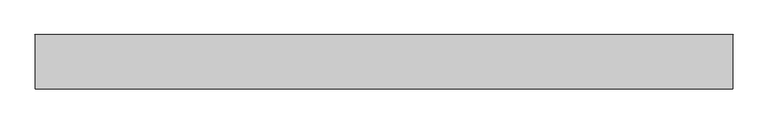
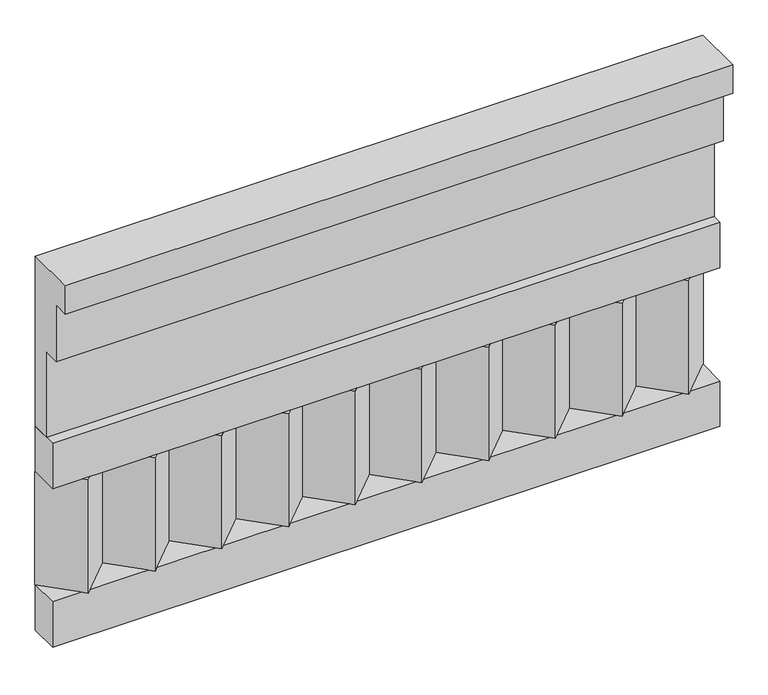
"""IFC4 building model written with IfcOpenShell, lengths in millimetres: railing geometry."""

from ifc_helpers import new_model, si_unit, frame, origin, place, context, project, spatial, polyline, outline, extrude, source, transform, mapped, element, save


def railing_dde9e87f(model_context):
    return source(origin(), model_context, "Body", "SweptSolid", [
        extrude(outline(polyline([(-16816.8920513, 25100.0), (-16816.8920513, 24650.0), (-16866.8920513, 24650.0), (-16866.8920513, 24875.0), (-16906.8920513, 24875.0), (-16906.8920513, 25025.0), (-16946.8920513, 25025.0), (-16946.8920513, 25100.0), (-16816.8920513, 25100.0)])), frame((5490.0112841, 0.0, 0.0), z_axis=(1.0, 0.0, 0.0), x_axis=(0.0, 1.0, 0.0)), (0.0, 0.0, 1.0), 1670.0),
        extrude(outline(polyline([(5490.0112841, -16891.8920513), (5490.0112841, -16816.8920513), (7160.0112841, -16816.8920513), (7160.0112841, -16891.8920513), (5490.0112841, -16891.8920513)])), frame((0.0, 0.0, 24530.0), z_axis=(0.0, 0.0, 1.0), x_axis=(1.0, 0.0, 0.0)), (0.0, 0.0, 1.0), 120.0),
        extrude(outline(polyline([(5490.0112841, -16891.8920513), (5490.0112841, -16816.8920513), (7160.0112841, -16816.8920513), (7160.0112841, -16891.8920513), (5490.0112841, -16891.8920513)])), frame((0.0, 0.0, 24110.0), z_axis=(0.0, 0.0, 1.0), x_axis=(1.0, 0.0, 0.0)), (0.0, 0.0, 1.0), 120.0),
        extrude(outline(polyline([(7076.5112841, -16901.7448651), (6991.6584704, -16816.8920513), (7161.3640978, -16816.8920513), (7076.5112841, -16901.7448651)])), frame((0.0, 0.0, 24230.0), z_axis=(0.0, 0.0, 1.0), x_axis=(1.0, 0.0, 0.0)), (0.0, 0.0, 1.0), 300.0),
        extrude(outline(polyline([(6909.5112841, -16901.7448651), (6824.6584704, -16816.8920513), (6994.3640978, -16816.8920513), (6909.5112841, -16901.7448651)])), frame((0.0, 0.0, 24230.0), z_axis=(0.0, 0.0, 1.0), x_axis=(1.0, 0.0, 0.0)), (0.0, 0.0, 1.0), 300.0),
        extrude(outline(polyline([(6742.5112841, -16901.7448651), (6657.6584704, -16816.8920513), (6827.3640978, -16816.8920513), (6742.5112841, -16901.7448651)])), frame((0.0, 0.0, 24230.0), z_axis=(0.0, 0.0, 1.0), x_axis=(1.0, 0.0, 0.0)), (0.0, 0.0, 1.0), 300.0),
        extrude(outline(polyline([(6575.5112841, -16901.7448651), (6490.6584704, -16816.8920513), (6660.3640978, -16816.8920513), (6575.5112841, -16901.7448651)])), frame((0.0, 0.0, 24230.0), z_axis=(0.0, 0.0, 1.0), x_axis=(1.0, 0.0, 0.0)), (0.0, 0.0, 1.0), 300.0),
        extrude(outline(polyline([(6408.5112841, -16901.7448651), (6323.6584704, -16816.8920513), (6493.3640978, -16816.8920513), (6408.5112841, -16901.7448651)])), frame((0.0, 0.0, 24230.0), z_axis=(0.0, 0.0, 1.0), x_axis=(1.0, 0.0, 0.0)), (0.0, 0.0, 1.0), 300.0),
        extrude(outline(polyline([(6241.5112841, -16901.7448651), (6156.6584704, -16816.8920513), (6326.3640978, -16816.8920513), (6241.5112841, -16901.7448651)])), frame((0.0, 0.0, 24230.0), z_axis=(0.0, 0.0, 1.0), x_axis=(1.0, 0.0, 0.0)), (0.0, 0.0, 1.0), 300.0),
        extrude(outline(polyline([(6074.5112841, -16901.7448651), (5989.6584704, -16816.8920513), (6159.3640978, -16816.8920513), (6074.5112841, -16901.7448651)])), frame((0.0, 0.0, 24230.0), z_axis=(0.0, 0.0, 1.0), x_axis=(1.0, 0.0, 0.0)), (0.0, 0.0, 1.0), 300.0),
        extrude(outline(polyline([(5907.5112841, -16901.7448651), (5822.6584704, -16816.8920513), (5992.3640978, -16816.8920513), (5907.5112841, -16901.7448651)])), frame((0.0, 0.0, 24230.0), z_axis=(0.0, 0.0, 1.0), x_axis=(1.0, 0.0, 0.0)), (0.0, 0.0, 1.0), 300.0),
        extrude(outline(polyline([(5740.5112841, -16901.7448651), (5655.6584704, -16816.8920513), (5825.3640978, -16816.8920513), (5740.5112841, -16901.7448651)])), frame((0.0, 0.0, 24230.0), z_axis=(0.0, 0.0, 1.0), x_axis=(1.0, 0.0, 0.0)), (0.0, 0.0, 1.0), 300.0),
        extrude(outline(polyline([(5573.5112841, -16901.7448651), (5488.6584704, -16816.8920513), (5658.3640978, -16816.8920513), (5573.5112841, -16901.7448651)])), frame((0.0, 0.0, 24230.0), z_axis=(0.0, 0.0, 1.0), x_axis=(1.0, 0.0, 0.0)), (0.0, 0.0, 1.0), 300.0),
    ])


if __name__ == "__main__":
    model = new_model("IFC4")
    model_context = context("Model", 3, world=origin())
    ifc_project = project(units=[si_unit("LENGTHUNIT", "METRE", prefix="MILLI")], contexts=[model_context])
    site = spatial("IfcSite", under=ifc_project)
    building = spatial("IfcBuilding", under=site)
    placement = place(None, origin())
    railing_shape = railing_dde9e87f(model_context)
    element("IfcRailing", 1, at=placement, inside=building, context=model_context, shape_type="MappedRepresentation", body=[
        mapped(railing_shape, transform((0.0, 0.0, 0.0), x_axis=(1.0, 0.0, 0.0), y_axis=(0.0, 1.0, 0.0), z_axis=(0.0, 0.0, 1.0))),
    ])
    save(model, "model.ifc")
